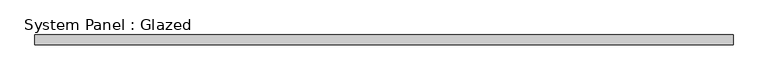
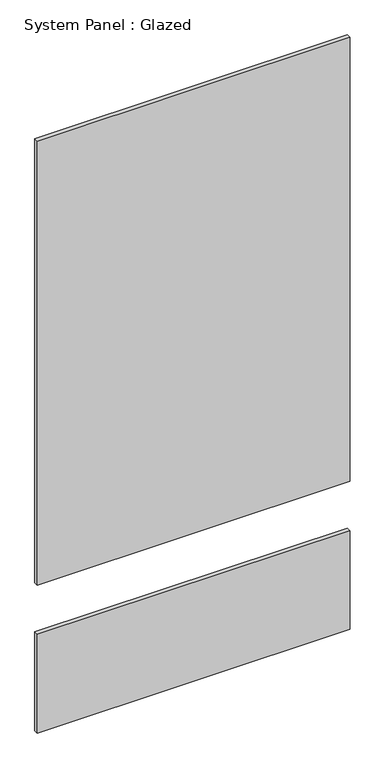
"""IFC4 building model written with IfcOpenShell, lengths in millimetres: plate geometry, System Panel : Glazed."""

from ifc_helpers import new_model, si_unit, frame, origin, origin_with_axes, place, context, project, spatial, polyline, outline, extrude, source, transform, mapped, element, save


def system_panel_glazed_eec212ce(model_context):
    return source(origin(), model_context, "Body", "SweptSolid", [
        extrude(outline(polyline([(914.4000002, 19.05), (-914.4000002, 19.05), (-914.4000002, 44.45), (914.4000002, 44.45), (914.4000002, 19.05)])), origin_with_axes(), (0.0, 0.0, 1.0), 609.6),
        extrude(outline(polyline([(914.4000002, 19.05), (-914.4000002, 19.05), (-914.4000002, 44.45), (914.4000002, 44.45), (914.4000002, 19.05)])), frame((0.0, 0.0, 914.4), z_axis=(0.0, 0.0, 1.0), x_axis=(1.0, 0.0, 0.0)), (0.0, 0.0, 1.0), 2743.2),
    ])


if __name__ == "__main__":
    model = new_model("IFC4")
    model_context = context("Model", 3, world=origin())
    ifc_project = project(units=[si_unit("LENGTHUNIT", "METRE", prefix="MILLI")], contexts=[model_context])
    site = spatial("IfcSite", under=ifc_project)
    building = spatial("IfcBuilding", under=site)
    placement = place(None, origin())
    system_panel_glazed_shape = system_panel_glazed_eec212ce(model_context)
    element("IfcPlate", 1, ObjectType="System Panel : Glazed", at=placement, inside=building, context=model_context, shape_type="MappedRepresentation", body=[
        mapped(system_panel_glazed_shape, transform((0.0, 0.0, 0.0), x_axis=(1.0, 0.0, 0.0), y_axis=(0.0, 1.0, 0.0), z_axis=(0.0, 0.0, 1.0))),
    ])
    save(model, "model.ifc")
